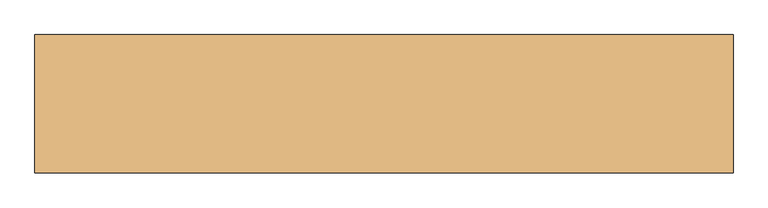
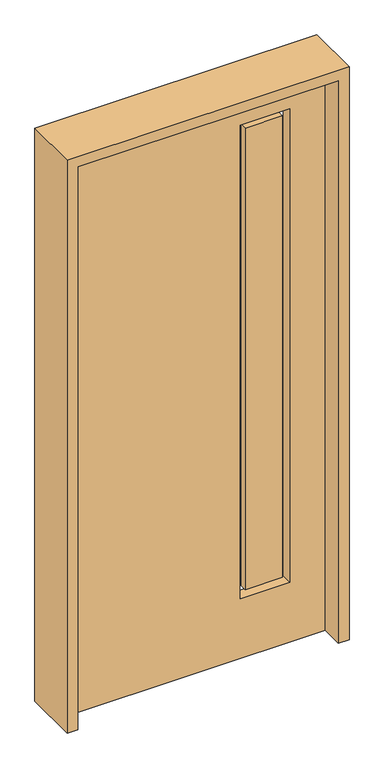
"""IFC4 building model written with IfcOpenShell, lengths in millimetres: door geometry."""

from ifc_helpers import new_model, si_unit, frame, origin, place, context, project, spatial, polyline, outline, extrude, source, transform, mapped, element, save


def door_dc3e4d89(model_context):
    return source(origin(), model_context, "Body", "SweptSolid", [
        extrude(outline(polyline([(209.55, 12.7039749), (361.95, 12.7039749), (361.95, -14.2875), (209.55, -14.2875), (209.55, 12.7039749)])), frame((0.0, 0.0, 285.75), z_axis=(0.0, 0.0, 1.0), x_axis=(1.0, 0.0, 0.0)), (0.0, 0.0, 1.0), 2000.25),
        extrude(outline(polyline([(2438.4, 533.4), (2438.4, -533.4), (0.0, -533.4), (0.0, 533.4), (2438.4, 533.4)]), holes=[polyline([(2311.4, 184.15), (2311.4, 387.35), (260.35, 387.35), (260.35, 184.15), (2311.4, 184.15)])]), frame((0.0, -22.225, 0.0), z_axis=(0.0, 1.0, 0.0), x_axis=(0.0, 0.0, 1.0)), (0.0, 0.0, 1.0), 44.45),
        extrude(outline(polyline([(0.0, 577.85), (2482.85, 577.85), (2482.85, -577.85), (0.0, -577.85), (0.0, -533.4), (2438.4, -533.4), (2438.4, 533.4), (0.0, 533.4), (0.0, 577.85)])), frame((0.0, -114.3, 0.0), z_axis=(0.0, 1.0, 0.0), x_axis=(0.0, 0.0, 1.0)), (0.0, 0.0, 1.0), 228.6),
    ])


if __name__ == "__main__":
    model = new_model("IFC4")
    model_context = context("Model", 3, world=origin())
    ifc_project = project(units=[si_unit("LENGTHUNIT", "METRE", prefix="MILLI")], contexts=[model_context])
    site = spatial("IfcSite", under=ifc_project)
    building = spatial("IfcBuilding", under=site)
    placement = place(None, origin())
    door_shape = door_dc3e4d89(model_context)
    element("IfcDoor", 1, at=placement, inside=building, context=model_context, shape_type="MappedRepresentation", body=[
        mapped(door_shape, transform((0.0, 0.0, 0.0), x_axis=(1.0, 0.0, 0.0), y_axis=(0.0, 1.0, 0.0), z_axis=(0.0, 0.0, 1.0))),
    ])
    save(model, "model.ifc")
